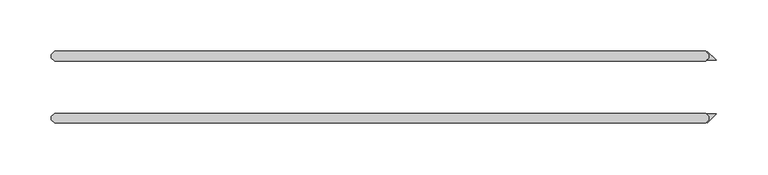
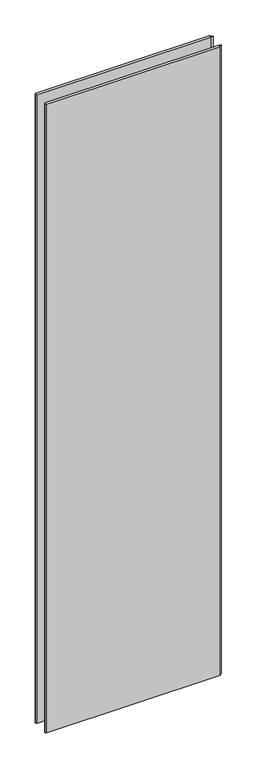
"""IFC4 building model written with IfcOpenShell, lengths in millimetres: plate geometry."""

from ifc_helpers import new_model, si_unit, origin, origin_with_axes, place, context, project, spatial, polyline, outline, extrude, source, transform, mapped, element, save


def plate_9d1952cc(model_context):
    return source(origin(), model_context, "Body", "SweptSolid", [
        extrude(outline(polyline([(322.330593, 28.575), (322.330593, 31.75), (319.949343, 34.13125), (320.510609, 34.692516), (329.009375, 26.19375), (319.949343, 26.19375), (322.330593, 28.575)])), origin_with_axes(), (0.0, 0.0, 1.0), 2428.7789267),
        extrude(outline(polyline([(322.330593, -28.575), (319.949343, -26.19375), (329.009375, -26.19375), (320.510609, -34.692516), (319.949343, -34.13125), (322.330593, -31.75), (322.330593, -28.575)])), origin_with_axes(), (0.0, 0.0, 1.0), 2428.7789267),
        extrude(outline(polyline([(319.155593, 25.4), (-313.928125, 25.4), (-317.103125, 28.575), (-317.103125, 31.75), (-313.928125, 34.925), (319.155593, 34.925), (322.330593, 31.75), (322.330593, 28.575), (319.155593, 25.4)])), origin_with_axes(), (0.0, 0.0, 1.0), 2428.7789267),
        extrude(outline(polyline([(319.155593, -34.925), (-313.928125, -34.925), (-317.103125, -31.75), (-317.103125, -28.575), (-313.928125, -25.4), (319.155593, -25.4), (322.330593, -28.575), (322.330593, -31.75), (319.155593, -34.925)])), origin_with_axes(), (0.0, 0.0, 1.0), 2428.7789267),
    ])


if __name__ == "__main__":
    model = new_model("IFC4")
    model_context = context("Model", 3, world=origin())
    ifc_project = project(units=[si_unit("LENGTHUNIT", "METRE", prefix="MILLI")], contexts=[model_context])
    site = spatial("IfcSite", under=ifc_project)
    building = spatial("IfcBuilding", under=site)
    placement = place(None, origin())
    plate_shape = plate_9d1952cc(model_context)
    element("IfcPlate", 1, at=placement, inside=building, context=model_context, shape_type="MappedRepresentation", body=[
        mapped(plate_shape, transform((0.0, 0.0, 0.0), x_axis=(1.0, 0.0, 0.0), y_axis=(0.0, 1.0, 0.0), z_axis=(0.0, 0.0, 1.0))),
    ])
    save(model, "model.ifc")
